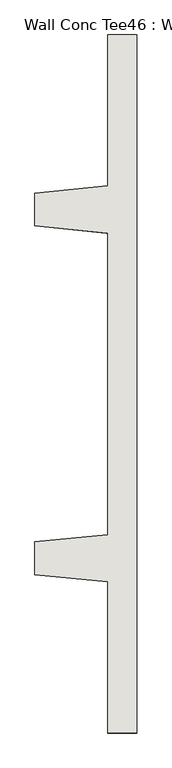
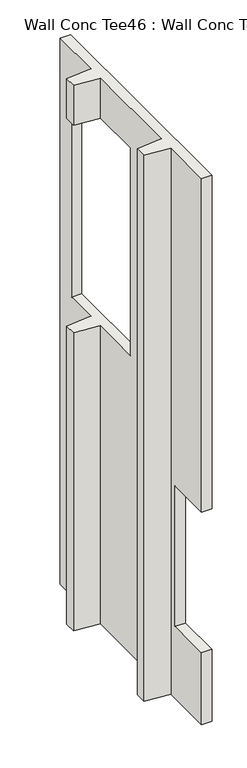
"""IFC4 building model written with IfcOpenShell, lengths in millimetres: wall geometry, Wall Conc Tee46 : Wall Conc Tee."""

from ifc_helpers import new_model, si_unit, origin, place, context, project, spatial, faceted_brep, source, transform, mapped, element, save


def wall_conc_tee46_wall_conc_tee_03614c37(model_context):
    return source(origin(), model_context, "Body", "Brep", [
        faceted_brep([(204051.6728488, 160820.8596581, 5884.1592564), (204051.6728488, 163259.2596581, 5884.1592564), (203950.0728488, 163259.2596581, 5884.1592564), (203950.0728488, 162732.2096581, 5884.1592564), (203696.0728488, 162706.8096581, 5884.1592564), (203696.0728488, 162592.5096581, 5884.1592564), (203950.0728488, 162567.1096581, 5884.1592564), (203950.0728488, 161513.0096581, 5884.1592564), (203696.0728488, 161487.6096581, 5884.1592564), (203696.0728488, 161373.3096581, 5884.1592564), (203950.0728488, 161347.9096581, 5884.1592564), (203950.0728488, 160820.8596581, 5884.1592564), (204051.6728488, 160820.8596581, 143.7592564), (203950.0728488, 160820.8596581, 143.7592564), (203950.0728488, 161347.9096581, 143.7592564), (203696.0728488, 161373.3096581, 143.7592564), (203696.0728488, 161487.6096581, 143.7592564), (203950.0728488, 161513.0096581, 143.7592564), (203950.0728488, 162567.1096581, 143.7592564), (203696.0728488, 162592.5096581, 143.7592564), (203696.0728488, 162706.8096581, 143.7592564), (203950.0728488, 162732.2096581, 143.7592564), (203950.0728488, 163259.2596581, 143.7592564), (204051.6728488, 163259.2596581, 143.7592564), (204051.6728488, 160820.8596581, 2378.9592564), (204051.6728488, 161278.0596581, 2378.9592564), (204051.6728488, 161278.0596581, 899.4092564), (204051.6728488, 160820.8596581, 899.4092564), (204051.6728488, 162048.9216382, 5465.0679687), (204051.6728488, 163064.9216382, 5465.0679687), (204051.6728488, 163064.9216382, 3280.6679688), (204051.6728488, 163039.5216382, 3280.6679688), (204051.6728488, 162074.3216382, 3280.6679688), (204051.6728488, 162048.9216382, 3280.6679688), (203950.0728488, 162732.2096581, 3280.6679688), (203950.0728488, 163039.5216382, 3280.6679688), (203950.0728488, 163064.9216382, 3280.6679688), (203950.0728488, 163064.9216382, 5465.0679687), (203950.0728488, 162732.2096581, 5465.0679687), (203696.0728488, 162706.8096581, 5465.0679687), (203696.0728488, 162706.8096581, 3280.6679688), (203946.0088488, 162731.8032581, 3280.6679688), (203696.0728488, 162592.5096581, 5465.0679687), (203696.0728488, 162592.5096581, 3280.6679688), (203950.0728488, 162567.1096581, 5465.0679687), (203950.0728488, 162567.1096581, 3280.6679688), (203946.0088488, 162567.5160581, 3280.6679688), (203950.0728488, 162048.9216382, 5465.0679687), (203950.0728488, 162048.9216382, 3280.6679688), (203950.0728488, 162074.3216382, 3280.6679688), (203950.0728488, 160820.8596581, 899.4092564), (203950.0728488, 161278.0596581, 899.4092564), (203950.0728488, 161278.0596581, 2378.9592564), (203950.0728488, 160820.8596581, 2378.9592564)], [[[0, 1, 2, 3, 4, 5, 6, 7, 8, 9, 10, 11]], [[12, 13, 14, 15, 16, 17, 18, 19, 20, 21, 22, 23]], [[1, 0, 24, 25, 26, 27, 12, 23], [28, 29, 30, 31, 32, 33]], [[2, 1, 23, 22]], [[3, 2, 22, 21, 34, 35, 36, 37, 38]], [[4, 3, 38, 39]], [[21, 20, 40, 41, 34]], [[5, 4, 39, 42]], [[20, 19, 43, 40]], [[6, 5, 42, 44]], [[19, 18, 45, 46, 43]], [[7, 6, 44, 47, 48, 49, 45, 18, 17]], [[8, 7, 17, 16]], [[9, 8, 16, 15]], [[10, 9, 15, 14]], [[11, 10, 14, 13, 50, 51, 52, 53]], [[0, 11, 53, 24]], [[13, 12, 27, 50]], [[26, 51, 50, 27]], [[51, 26, 25, 52]], [[52, 25, 24, 53]], [[29, 28, 47, 44, 42, 39, 38, 37]], [[40, 43, 46, 45, 49, 48, 33, 32, 31, 30, 36, 35, 34, 41]], [[28, 33, 48, 47]], [[30, 29, 37, 36]]]),
    ])


if __name__ == "__main__":
    model = new_model("IFC4")
    model_context = context("Model", 3, world=origin())
    ifc_project = project(units=[si_unit("LENGTHUNIT", "METRE", prefix="MILLI")], contexts=[model_context])
    site = spatial("IfcSite", under=ifc_project)
    building = spatial("IfcBuilding", under=site)
    placement = place(None, origin())
    wall_conc_tee46_wall_conc_tee_shape = wall_conc_tee46_wall_conc_tee_03614c37(model_context)
    element("IfcWall", 1, ObjectType="Wall Conc Tee46 : Wall Conc Tee", at=placement, inside=building, context=model_context, shape_type="MappedRepresentation", body=[
        mapped(wall_conc_tee46_wall_conc_tee_shape, transform((0.0, 0.0, 0.0), x_axis=(1.0, 0.0, 0.0), y_axis=(0.0, 1.0, 0.0), z_axis=(0.0, 0.0, 1.0))),
    ])
    save(model, "model.ifc")
